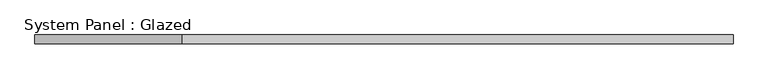
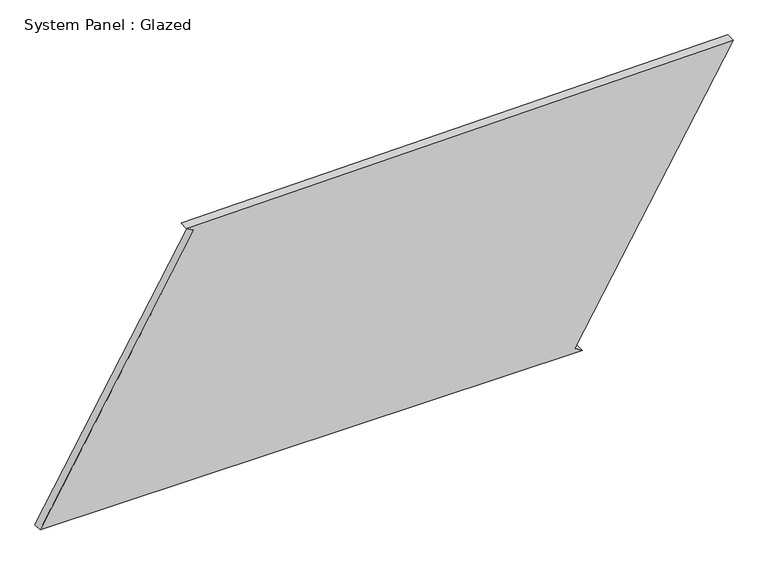
"""IFC4 building model written with IfcOpenShell, lengths in millimetres: plate geometry, System Panel : Glazed."""

from ifc_helpers import new_model, si_unit, frame, origin, place, context, project, spatial, polyline, outline, extrude, source, transform, mapped, element, save


def system_panel_glazed_9e735cc4(model_context):
    return source(origin(), model_context, "Body", "SweptSolid", [
        extrude(outline(polyline([(0.0, -966.2013687), (0.0, 545.9554346), (12.6150567, 524.3716364), (768.56598, 966.2013687), (746.7622233, -558.7536431), (734.148363, -537.1691457), (0.0, -966.2013687)])), frame((0.0, -49.5, 0.0), z_axis=(0.0, 1.0, 0.0), x_axis=(0.0, 0.0, 1.0)), (0.0, 0.0, 1.0), 25.0),
    ])


if __name__ == "__main__":
    model = new_model("IFC4")
    model_context = context("Model", 3, world=origin())
    ifc_project = project(units=[si_unit("LENGTHUNIT", "METRE", prefix="MILLI")], contexts=[model_context])
    site = spatial("IfcSite", under=ifc_project)
    building = spatial("IfcBuilding", under=site)
    placement = place(None, origin())
    system_panel_glazed_shape = system_panel_glazed_9e735cc4(model_context)
    element("IfcPlate", 1, ObjectType="System Panel : Glazed", at=placement, inside=building, context=model_context, shape_type="MappedRepresentation", body=[
        mapped(system_panel_glazed_shape, transform((0.0, 0.0, 0.0), x_axis=(1.0, 0.0, 0.0), y_axis=(0.0, 1.0, 0.0), z_axis=(0.0, 0.0, 1.0))),
    ])
    save(model, "model.ifc")
